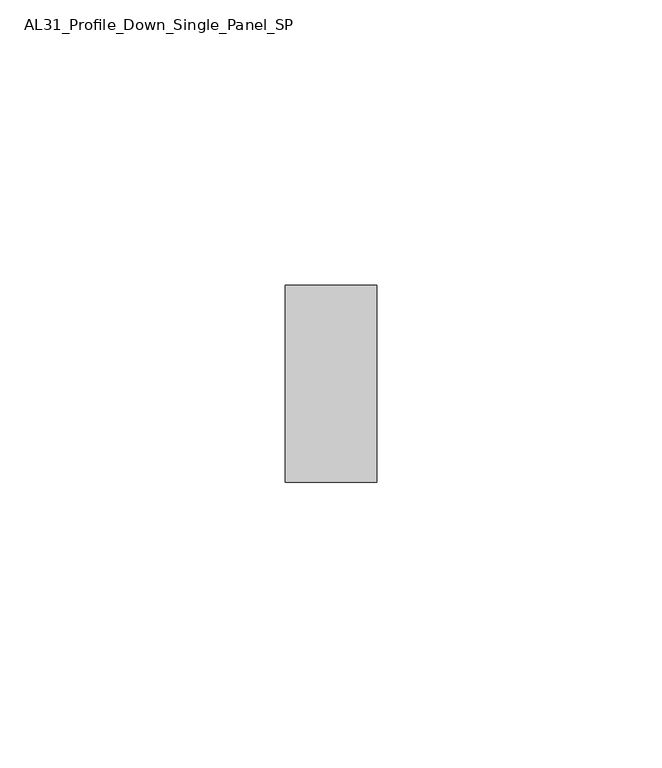
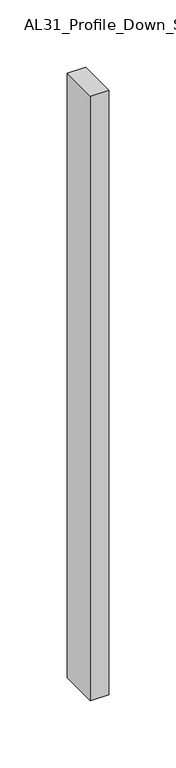
"""IFC4 building model written with IfcOpenShell, lengths in millimetres: member geometry, AL31_Profile_Down_Single_Panel_SP."""

import ifcopenshell
import ifcopenshell.guid

model = None  # the IFC model being written
_history = None  # IfcOwnerHistory: only IFC2X3 demands one
_inside = {}  # id of a spatial element -> (the spatial element, [elements in it])
_under = {}  # id of a project, library or spatial element -> (it, [spatial elements below it])
_declared = {}  # id of a project -> (the project, [libraries it declares])
_typed = {}  # id of a type object -> (the type object, [elements of that type])
_made_of = {}  # id of a material, layer set ... -> (it, [elements and type objects made of it])


def new_model(schema):
    """Start an empty IFC model of exactly this schema.

    Asked for "IFC4X3", IfcOpenShell would pick the latest addendum, in which some entities
    have other attributes; the version numbers below select the first issue.
    IFC2X3 requires an IfcOwnerHistory on every rooted entity: one is made here for all.
    """
    global model, _history
    if schema == "IFC4X3":
        model = ifcopenshell.file(schema_version=(4, 3, 0, 0))
    else:
        model = ifcopenshell.file(schema=schema)
    _inside.clear()
    _under.clear()
    _declared.clear()
    _typed.clear()
    _made_of.clear()
    _history = None
    if model.schema == "IFC2X3":
        org = make("IfcOrganization", Name="unknown")
        user = make(
            "IfcPersonAndOrganization",
            ThePerson=make("IfcPerson", FamilyName="unknown"),
            TheOrganization=org,
        )
        app = make(
            "IfcApplication",
            ApplicationDeveloper=org,
            Version="unknown",
            ApplicationFullName="unknown",
            ApplicationIdentifier="unknown",
        )
        _history = make(
            "IfcOwnerHistory",
            OwningUser=user,
            OwningApplication=app,
            ChangeAction="ADDED",
            CreationDate=0,
        )
    return model


def make(cls, **values):
    """One entity of the class cls with the attributes given. An attribute that is None is left unset."""
    return model.create_entity(
        cls, **{name: value for name, value in values.items() if value is not None}
    )


def rooted(cls, **values):
    """An entity with a GlobalId (a new one), such as an element, a storey or a relation."""
    return make(cls, GlobalId=ifcopenshell.guid.new(), OwnerHistory=_history, **values)


def si_unit(unit_type, name, prefix=None):
    """IfcSIUnit, for example si_unit("LENGTHUNIT", "METRE", prefix="MILLI")."""
    return make("IfcSIUnit", UnitType=unit_type, Prefix=prefix, Name=name)


def assignment(units):
    """IfcUnitAssignment: the units of a project."""
    return None if units is None else make("IfcUnitAssignment", Units=units)


def point(xyz):
    """IfcCartesianPoint."""
    return None if xyz is None else make("IfcCartesianPoint", Coordinates=xyz)


def direction(xyz):
    """IfcDirection."""
    return None if xyz is None else make("IfcDirection", DirectionRatios=xyz)


def frame(location, z_axis=None, x_axis=None):
    """IfcAxis2Placement3D, a coordinate frame: its origin and axes. An axis left out is left unset."""
    return make(
        "IfcAxis2Placement3D",
        Location=point(location),
        Axis=direction(z_axis),
        RefDirection=direction(x_axis),
    )


def origin():
    """The frame at (0, 0, 0) with its axes left unset."""
    return frame((0.0, 0.0, 0.0))


def place(relative_to, where):
    """IfcLocalPlacement: puts the frame where relative to a parent placement (None: the world)."""
    return make(
        "IfcLocalPlacement", PlacementRelTo=relative_to, RelativePlacement=where
    )


def context(
    kind, dimensions, precision=None, world=None, true_north=None, identifier=None
):
    """IfcGeometricRepresentationContext, for example the 3D "Model" context."""
    return make(
        "IfcGeometricRepresentationContext",
        ContextIdentifier=identifier,
        ContextType=kind,
        CoordinateSpaceDimension=dimensions,
        Precision=precision,
        WorldCoordinateSystem=world,
        TrueNorth=true_north,
    )


def project(units=None, contexts=None):
    """IfcProject with its units and contexts."""
    return rooted(
        "IfcProject",
        Name="project",
        RepresentationContexts=contexts,
        UnitsInContext=assignment(units),
    )


def spatial(cls, under=None, at=None, **own):
    """A site, building, storey or space (cls), placed at a placement, below another one or the project."""
    s = rooted(cls, ObjectPlacement=at, **own)
    if under is not None:
        _under.setdefault(under.id(), (under, []))[1].append(s)
    return s


def polyline(points):
    """IfcPolyline through the points."""
    return make("IfcPolyline", Points=[point(p) for p in points])


def outline(outer, holes=None, kind="AREA"):
    """IfcArbitraryClosedProfileDef: a profile drawn as a closed curve; with holes, ...WithVoids."""
    if holes is None:
        return make("IfcArbitraryClosedProfileDef", ProfileType=kind, OuterCurve=outer)
    return make(
        "IfcArbitraryProfileDefWithVoids",
        ProfileType=kind,
        OuterCurve=outer,
        InnerCurves=holes,
    )


def extrude(swept, where, along, depth):
    """IfcExtrudedAreaSolid: the profile swept, set in the frame where, extruded along a direction by depth."""
    return make(
        "IfcExtrudedAreaSolid",
        SweptArea=swept,
        Position=where,
        ExtrudedDirection=direction(along),
        Depth=depth,
    )


def shape(context_of_items, identifier, shape_type, items):
    """IfcShapeRepresentation: the items that make up one representation, for example the "Body"."""
    return make(
        "IfcShapeRepresentation",
        ContextOfItems=context_of_items,
        RepresentationIdentifier=identifier,
        RepresentationType=shape_type,
        Items=items,
    )


def source(mapping_origin, context_of_items, identifier, shape_type, items):
    """IfcRepresentationMap: a shape defined once, which mapped items show again and again."""
    return make(
        "IfcRepresentationMap",
        MappingOrigin=mapping_origin,
        MappedRepresentation=shape(context_of_items, identifier, shape_type, items),
    )


def transform(
    local_origin,
    x_axis=None,
    y_axis=None,
    z_axis=None,
    scale=None,
    scale2=None,
    scale3=None,
    uniform=True,
):
    """IfcCartesianTransformationOperator3D, or its non-uniform kind. x_axis, y_axis, z_axis: its Axis1, 2, 3."""
    if uniform:
        return make(
            "IfcCartesianTransformationOperator3D",
            Axis1=direction(x_axis),
            Axis2=direction(y_axis),
            LocalOrigin=point(local_origin),
            Scale=scale,
            Axis3=direction(z_axis),
        )
    return make(
        "IfcCartesianTransformationOperator3DnonUniform",
        Axis1=direction(x_axis),
        Axis2=direction(y_axis),
        LocalOrigin=point(local_origin),
        Scale=scale,
        Axis3=direction(z_axis),
        Scale2=scale2,
        Scale3=scale3,
    )


def mapped(mapping_source, mapping_target):
    """IfcMappedItem: shows the shape of a source again, moved by a transform."""
    return make(
        "IfcMappedItem", MappingSource=mapping_source, MappingTarget=mapping_target
    )


def made_of(thing, what):
    """Note that an element or type object is made of a material, layer set ...; save() writes the relation."""
    if what is not None:
        _made_of.setdefault(what.id(), (what, []))[1].append(thing)
    return thing


def element(
    cls,
    number,
    at=None,
    inside=None,
    cuts=None,
    type_object=None,
    material=None,
    context=None,
    identifier="Body",
    shape_type=None,
    held_by="IfcProductDefinitionShape",
    body=None,
    shapes=None,
    **own,
):
    """One element of the class cls, such as IfcWall. Its Tag is "e" and its number.

    at: its placement. inside: the storey or other place that contains it. cuts: it is an
    opening in that element (IfcRelVoidsElement). A single representation is given by context,
    identifier, shape_type and body (its items); several are given by shapes. held_by: the class
    of the entity that holds the representations. save() writes the other relations.
    """
    e = rooted(cls, Tag="e%d" % number, ObjectPlacement=at, **own)
    if body is not None:
        shapes = [shape(context, identifier, shape_type, body)]
    if shapes is not None:
        e.Representation = make(held_by, Representations=shapes)
    if inside is not None:
        _inside.setdefault(inside.id(), (inside, []))[1].append(e)
    if cuts is not None:
        rooted(
            "IfcRelVoidsElement", RelatingBuildingElement=cuts, RelatedOpeningElement=e
        )
    if type_object is not None:
        _typed.setdefault(type_object.id(), (type_object, []))[1].append(e)
    return made_of(e, material)


def aggregate(whole, parts):
    """IfcRelAggregates: a whole, such as a stair, and the parts it consists of."""
    return rooted("IfcRelAggregates", RelatingObject=whole, RelatedObjects=parts)


def save(model, path):
    """Write the relations noted so far, then the file.

    IfcRelAggregates (storeys below a building ...), IfcRelContainedInSpatialStructure (elements
    in a storey), IfcRelDefinesByType, IfcRelAssociatesMaterial and IfcRelDeclares: one each for
    every whole, place, type object, material and project.
    """
    for whole, parts in _under.values():
        aggregate(whole, parts)
    for where, things in _inside.values():
        rooted(
            "IfcRelContainedInSpatialStructure",
            RelatedElements=things,
            RelatingStructure=where,
        )
    for kind, things in _typed.values():
        rooted("IfcRelDefinesByType", RelatedObjects=things, RelatingType=kind)
    for what, things in _made_of.values():
        rooted("IfcRelAssociatesMaterial", RelatedObjects=things, RelatingMaterial=what)
    for by, libraries in _declared.values():
        rooted("IfcRelDeclares", RelatingContext=by, RelatedDefinitions=libraries)
    model.write(path)


def al31_profile_down_single_panel_sp_269140e2(model_context):
    return source(origin(), model_context, "Body", "SweptSolid", [
        extrude(outline(polyline([(0.0, -17.25), (-16.0, -17.25), (-16.0, 17.25), (0.0, 17.25), (0.0, -17.25)])), frame((0.0, 0.0, -550.3602632), z_axis=(0.0, 0.0, 1.0), x_axis=(1.0, 0.0, 0.0)), (0.0, 0.0, 1.0), 550.3602632),
    ])


if __name__ == "__main__":
    model = new_model("IFC4")
    model_context = context("Model", 3, world=origin())
    ifc_project = project(units=[si_unit("LENGTHUNIT", "METRE", prefix="MILLI")], contexts=[model_context])
    site = spatial("IfcSite", under=ifc_project)
    building = spatial("IfcBuilding", under=site)
    placement = place(None, origin())
    al31_profile_down_single_panel_sp_shape = al31_profile_down_single_panel_sp_269140e2(model_context)
    element("IfcMember", 1, ObjectType="AL31_Profile_Down_Single_Panel_SP", at=placement, inside=building, context=model_context, shape_type="MappedRepresentation", body=[
        mapped(al31_profile_down_single_panel_sp_shape, transform((0.0, 0.0, 0.0), x_axis=(1.0, 0.0, 0.0), y_axis=(0.0, 1.0, 0.0), z_axis=(0.0, 0.0, 1.0))),
    ])
    save(model, "model.ifc")
